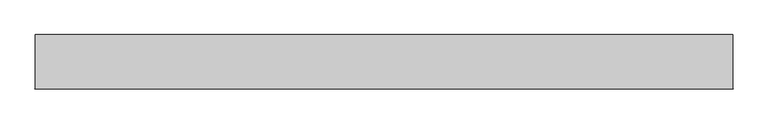
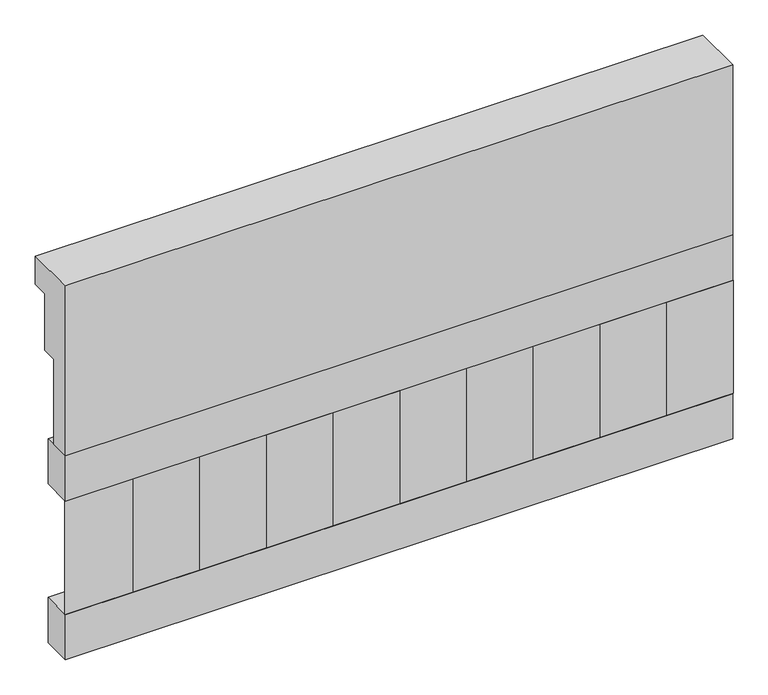
"""IFC4 building model written with IfcOpenShell, lengths in millimetres: railing geometry."""

from ifc_helpers import new_model, si_unit, frame, origin, place, context, project, spatial, polyline, outline, extrude, source, transform, mapped, element, save


def railing_a6dc4a9e(model_context):
    return source(origin(), model_context, "Body", "SweptSolid", [
        extrude(outline(polyline([(903.1079487, 25100.0), (1033.1079487, 25100.0), (1033.1079487, 25025.0), (993.1079487, 25025.0), (993.1079487, 24875.0), (953.1079487, 24875.0), (953.1079487, 24650.0), (903.1079487, 24650.0), (903.1079487, 25100.0)])), frame((-22709.9887159, 0.0, 0.0), z_axis=(1.0, 0.0, 0.0), x_axis=(0.0, 1.0, 0.0)), (0.0, 0.0, 1.0), 1670.0),
        extrude(outline(polyline([(-21039.9887159, 978.1079487), (-21039.9887159, 903.1079487), (-22709.9887159, 903.1079487), (-22709.9887159, 978.1079487), (-21039.9887159, 978.1079487)])), frame((0.0, 0.0, 24530.0), z_axis=(0.0, 0.0, 1.0), x_axis=(1.0, 0.0, 0.0)), (0.0, 0.0, 1.0), 120.0),
        extrude(outline(polyline([(-21039.9887159, 978.1079487), (-21039.9887159, 903.1079487), (-22709.9887159, 903.1079487), (-22709.9887159, 978.1079487), (-21039.9887159, 978.1079487)])), frame((0.0, 0.0, 24110.0), z_axis=(0.0, 0.0, 1.0), x_axis=(1.0, 0.0, 0.0)), (0.0, 0.0, 1.0), 120.0),
        extrude(outline(polyline([(-22626.4887159, 987.9607624), (-22541.6359022, 903.1079487), (-22711.3415296, 903.1079487), (-22626.4887159, 987.9607624)])), frame((0.0, 0.0, 24230.0), z_axis=(0.0, 0.0, 1.0), x_axis=(1.0, 0.0, 0.0)), (0.0, 0.0, 1.0), 300.0),
        extrude(outline(polyline([(-22459.4887159, 987.9607624), (-22374.6359022, 903.1079487), (-22544.3415296, 903.1079487), (-22459.4887159, 987.9607624)])), frame((0.0, 0.0, 24230.0), z_axis=(0.0, 0.0, 1.0), x_axis=(1.0, 0.0, 0.0)), (0.0, 0.0, 1.0), 300.0),
        extrude(outline(polyline([(-22292.4887159, 987.9607624), (-22207.6359022, 903.1079487), (-22377.3415296, 903.1079487), (-22292.4887159, 987.9607624)])), frame((0.0, 0.0, 24230.0), z_axis=(0.0, 0.0, 1.0), x_axis=(1.0, 0.0, 0.0)), (0.0, 0.0, 1.0), 300.0),
        extrude(outline(polyline([(-22125.4887159, 987.9607624), (-22040.6359022, 903.1079487), (-22210.3415296, 903.1079487), (-22125.4887159, 987.9607624)])), frame((0.0, 0.0, 24230.0), z_axis=(0.0, 0.0, 1.0), x_axis=(1.0, 0.0, 0.0)), (0.0, 0.0, 1.0), 300.0),
        extrude(outline(polyline([(-21958.4887159, 987.9607624), (-21873.6359022, 903.1079487), (-22043.3415296, 903.1079487), (-21958.4887159, 987.9607624)])), frame((0.0, 0.0, 24230.0), z_axis=(0.0, 0.0, 1.0), x_axis=(1.0, 0.0, 0.0)), (0.0, 0.0, 1.0), 300.0),
        extrude(outline(polyline([(-21791.4887159, 987.9607624), (-21706.6359022, 903.1079487), (-21876.3415296, 903.1079487), (-21791.4887159, 987.9607624)])), frame((0.0, 0.0, 24230.0), z_axis=(0.0, 0.0, 1.0), x_axis=(1.0, 0.0, 0.0)), (0.0, 0.0, 1.0), 300.0),
        extrude(outline(polyline([(-21624.4887159, 987.9607624), (-21539.6359022, 903.1079487), (-21709.3415296, 903.1079487), (-21624.4887159, 987.9607624)])), frame((0.0, 0.0, 24230.0), z_axis=(0.0, 0.0, 1.0), x_axis=(1.0, 0.0, 0.0)), (0.0, 0.0, 1.0), 300.0),
        extrude(outline(polyline([(-21457.4887159, 987.9607624), (-21372.6359022, 903.1079487), (-21542.3415296, 903.1079487), (-21457.4887159, 987.9607624)])), frame((0.0, 0.0, 24230.0), z_axis=(0.0, 0.0, 1.0), x_axis=(1.0, 0.0, 0.0)), (0.0, 0.0, 1.0), 300.0),
        extrude(outline(polyline([(-21290.4887159, 987.9607624), (-21205.6359022, 903.1079487), (-21375.3415296, 903.1079487), (-21290.4887159, 987.9607624)])), frame((0.0, 0.0, 24230.0), z_axis=(0.0, 0.0, 1.0), x_axis=(1.0, 0.0, 0.0)), (0.0, 0.0, 1.0), 300.0),
        extrude(outline(polyline([(-21123.4887159, 987.9607624), (-21038.6359022, 903.1079487), (-21208.3415296, 903.1079487), (-21123.4887159, 987.9607624)])), frame((0.0, 0.0, 24230.0), z_axis=(0.0, 0.0, 1.0), x_axis=(1.0, 0.0, 0.0)), (0.0, 0.0, 1.0), 300.0),
    ])


if __name__ == "__main__":
    model = new_model("IFC4")
    model_context = context("Model", 3, world=origin())
    ifc_project = project(units=[si_unit("LENGTHUNIT", "METRE", prefix="MILLI")], contexts=[model_context])
    site = spatial("IfcSite", under=ifc_project)
    building = spatial("IfcBuilding", under=site)
    placement = place(None, origin())
    railing_shape = railing_a6dc4a9e(model_context)
    element("IfcRailing", 1, at=placement, inside=building, context=model_context, shape_type="MappedRepresentation", body=[
        mapped(railing_shape, transform((0.0, 0.0, 0.0), x_axis=(1.0, 0.0, 0.0), y_axis=(0.0, 1.0, 0.0), z_axis=(0.0, 0.0, 1.0))),
    ])
    save(model, "model.ifc")
